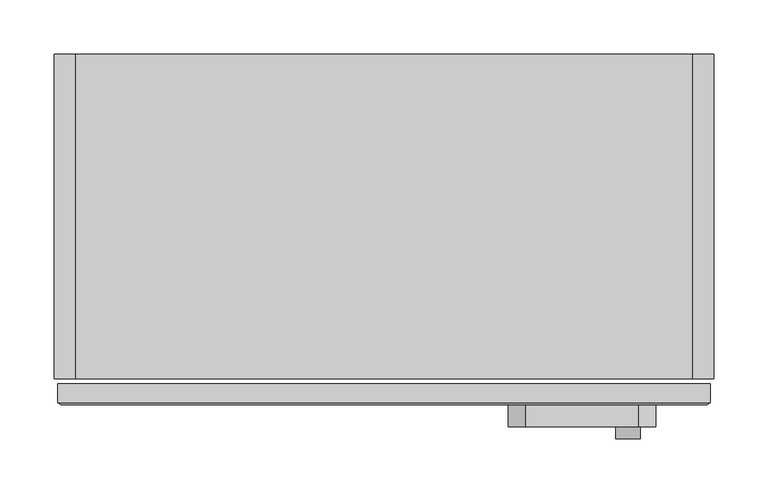
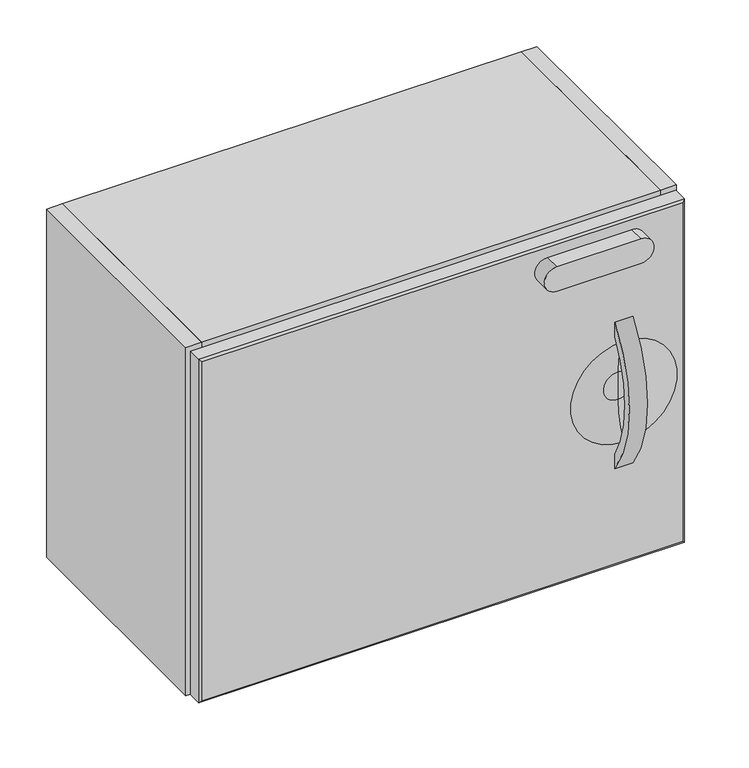
"""IFC4 building model written with IfcOpenShell, lengths in millimetres: furniture geometry."""

from ifc_helpers import new_model, si_unit, point, frame, frame_2d, origin, place, context, project, spatial, polyline, circle_curve, ellipse_curve, trimmed, segment, composite_curve, outline, extrude, source, transform, mapped, element, save
from ifc_brep_helpers import plane_surface, revolved_surface, advanced_brep


def furniture_0f78338d(model_context):
    return source(origin(), model_context, "Body", "SolidModel", [
        extrude(outline(composite_curve([segment(polyline([(-162.2904196, 830.2662798), (-162.2904196, 811.3559696)]), True, "CONTINUOUS"), segment(trimmed(circle_curve(frame_2d((-32.4271698, 734.3812713)), 150.9621404), [point((-162.2904196, 811.3559696))], [point((-161.9885, 656.8994698))], True, "CARTESIAN"), True, "CONTINUOUS"), segment(polyline([(-161.9885, 656.8994698), (-161.9885, 638.0783392)]), True, "CONTINUOUS"), segment(trimmed(circle_curve(frame_2d((-29.1183363, 734.3812804)), 164.0997772), [point((-161.9885, 638.0783392))], [point((-162.2904196, 830.2662798))], False, "CARTESIAN"), True, "CONTINUOUS")], self_intersect=False)), frame((214.3123607, 0.0, 0.0), z_axis=(1.0, 0.0, 0.0), x_axis=(0.0, 1.0, 0.0)), (0.0, 0.0, 1.0), 22.225),
        extrude(outline(composite_curve([segment(polyline([(944.4490146, 235.4199), (944.4490146, 130.6449)]), True, "CONTINUOUS"), segment(trimmed(circle_curve(frame_2d((928.5740146, 130.6449)), 15.875), [point((944.4490146, 130.6449))], [point((912.6990146, 130.6449))], False, "CARTESIAN"), True, "CONTINUOUS"), segment(polyline([(912.6990146, 130.6449), (912.6990146, 235.4199)]), True, "CONTINUOUS"), segment(trimmed(circle_curve(frame_2d((928.5740146, 235.4199)), 15.875), [point((912.6990146, 235.4199))], [point((944.4490146, 235.4199))], False, "CARTESIAN"), True, "CONTINUOUS")], self_intersect=False)), frame((0.0, -182.3085, 0.0), z_axis=(0.0, 1.0, 0.0), x_axis=(0.0, 0.0, 1.0)), (0.0, 0.0, 1.0), 20.32),
        advanced_brep(
        [(301.6248607, -142.4224067, 960.8313541), (301.6248607, -142.4224067, 509.9811966), (-301.6251393, -142.4224067, 509.9811966), (-301.6251393, -142.4224067, 960.8313541), (-301.6251393, -160.1558628, 960.8313541), (301.6248607, -160.1558628, 960.8313541), (-301.6251393, -160.1558628, 509.9811966), (301.6248607, -160.1558628, 509.9811966), (298.4498728, -161.9885, 957.6563571), (-298.4501423, -161.9885, 957.6563571), (-298.4501423, -161.9885, 513.1561966), (298.4498728, -161.9885, 513.1561966), (225.4248607, -161.9885, 669.4361379), (225.4248607, -161.9885, 801.3762554), (225.4248607, -149.2885, 717.2249048), (225.4248607, -149.2885, 753.5874884), (225.4248607, -149.2885, 735.4061966)],
        [
            (0, 1),
            (1, 2),
            (2, 3),
            (3, 0),
            (3, 4),
            (4, 5),
            (5, 0),
            (2, 6),
            (6, 4),
            (1, 7),
            (7, 6),
            (5, 7),
            (8, 9),
            (9, 10),
            (10, 11),
            (11, 8),
            (12, 13, circle_curve(frame((225.4248607, -161.9885, 735.4061966), z_axis=(0.0, 1.0, 0.0), x_axis=(0.0, 0.0, 1.0)), 65.9700587)),
            (13, 12, circle_curve(frame((225.4248607, -161.9885, 735.4061966), z_axis=(0.0, 1.0, 0.0), x_axis=(0.0, 0.0, 1.0)), 65.9700587)),
            (8, 5),
            (4, 9),
            (6, 10),
            (7, 11),
            (12, 14, circle_curve(frame((225.4248607, -245.550557, 717.2249048), z_axis=(1.0, 0.0, 0.0), x_axis=(0.0, 0.0, -1.0)), 96.262057)),
            (14, 15, circle_curve(frame((225.4248607, -149.2885, 735.4061966), z_axis=(0.0, 1.0, 0.0), x_axis=(0.0, 0.0, 1.0)), 18.1812918)),
            (15, 13, circle_curve(frame((225.4248607, -245.550557, 753.5874884), z_axis=(1.0, 0.0, 0.0), x_axis=(0.0, 0.0, 1.0)), 96.262057)),
            (15, 14, circle_curve(frame((225.4248607, -149.2885, 735.4061966), z_axis=(0.0, 1.0, 0.0), x_axis=(0.0, 0.0, 1.0)), 18.1812918)),
            (14, 16),
            (16, 15),
        ],
        [
            plane_surface(frame((301.6248607, -142.4224067, 960.8313541), z_axis=(0.0, 1.0, 0.0), x_axis=(0.0, 0.0, -1.0))),
            plane_surface(frame((-301.6251393, -142.4224067, 960.8313541), z_axis=(0.0, 0.0, 1.0), x_axis=(0.0, -1.0, 0.0))),
            plane_surface(frame((-301.6251393, -142.4224067, 509.9811966), z_axis=(-1.0, 0.0, 0.0), x_axis=(0.0, -1.0, 0.0))),
            plane_surface(frame((301.6248607, -142.4224067, 509.9811966), z_axis=(0.0, 0.0, -1.0), x_axis=(0.0, -1.0, 0.0))),
            plane_surface(frame((301.6248607, -142.4224067, 960.8313541), z_axis=(1.0, 0.0, 0.0), x_axis=(0.0, -1.0, 0.0))),
            plane_surface(frame((-0.0001347, -161.9885, 735.4062768), z_axis=(0.0, -1.0, 0.0), x_axis=(0.0, 0.0, -1.0))),
            plane_surface(frame((-0.0001393, -160.1558628, 960.8313541), z_axis=(0.0, -0.8660783377624317, 0.49990830445058954), x_axis=(-1.0, 0.0, 0.0))),
            plane_surface(frame((-301.6251393, -160.1558628, 735.4062753), z_axis=(-0.49990830442581086, -0.8660783377767342, 0.0), x_axis=(0.0, 0.0, -1.0))),
            plane_surface(frame((-0.0001393, -160.1558628, 509.9811966), z_axis=(0.0, -0.8660785441759979, -0.4999079468442006), x_axis=(1.0, 0.0, 0.0))),
            plane_surface(frame((301.6248607, -160.1558628, 735.4062753), z_axis=(0.4999093772944, -0.8660777185063274, 0.0), x_axis=(0.0, 0.0, 1.0))),
            revolved_surface(trimmed(ellipse_curve(frame((225.4248607, -245.550557, 753.5874884), z_axis=(-1.0, 0.0, 0.0), x_axis=(0.0, 0.0, 1.0)), 96.262057, 96.262057), [point((225.4248607, -161.9885, 801.3762554))], [point((225.4248607, -149.2885, 753.5874884))], True, "CARTESIAN"), (225.4248607, -161.9885, 735.4061966), (0.0, -1.0, 0.0)),
            plane_surface(frame((225.4248607, -149.2885, 735.4061966), z_axis=(0.0, -1.0, 0.0), x_axis=(0.0, 0.0, 1.0))),
        ],
        [
            (0, [[1, 2, 3, 4]]),
            (1, [[-4, 5, 6, 7]]),
            (2, [[-3, 8, 9, -5]]),
            (3, [[-2, 10, 11, -8]]),
            (4, [[-1, -7, 12, -10]]),
            (5, [[13, 14, 15, 16], [17, 18]]),
            (6, [[-13, 19, -6, 20]]),
            (7, [[-14, -20, -9, 21]]),
            (8, [[-15, -21, -11, 22]]),
            (9, [[-16, -22, -12, -19]]),
            (10, [[23, 24, 25, -17]]),
            (10, [[-23, -18, -25, 26]]),
            (11, [[-24, 27, 28]]),
            (11, [[-26, -28, -27]]),
        ],
    ),
        extrude(outline(polyline([(-285.242818, -137.7319227), (-285.242818, 105.8671981), (285.242, 105.8671981), (285.242, -137.7319227), (-285.242818, -137.7319227)])), frame((0.0, 0.0, 608.4062814), z_axis=(0.0, 0.0, 1.0), x_axis=(1.0, 0.0, 0.0)), (0.0, 0.0, 1.0), 19.5572001),
        extrude(outline(polyline([(-304.8, 161.9885), (-285.242818, 161.9885), (-285.242818, -137.7319227), (-304.8, -137.7319227), (-304.8, 161.9885)])), frame((0.0, 0.0, 506.8061966), z_axis=(0.0, 0.0, 1.0), x_axis=(1.0, 0.0, 0.0)), (0.0, 0.0, 1.0), 457.2),
        extrude(outline(polyline([(285.242, 161.9885), (304.8, 161.9885), (304.8, -137.7319227), (285.242, -137.7319227), (285.242, 161.9885)])), frame((0.0, 0.0, 506.8061966), z_axis=(0.0, 0.0, 1.0), x_axis=(1.0, 0.0, 0.0)), (0.0, 0.0, 1.0), 457.2),
        extrude(outline(polyline([(-285.242818, 142.4313021), (-285.242818, 161.9885), (285.242, 161.9885), (285.242, 142.4313021), (-285.242818, 142.4313021)])), frame((0.0, 0.0, 526.3634694), z_axis=(0.0, 0.0, 1.0), x_axis=(1.0, 0.0, 0.0)), (0.0, 0.0, 1.0), 418.0855452),
        extrude(outline(polyline([(-285.242818, -137.7319227), (-285.242818, 161.9885), (285.242, 161.9885), (285.242, -137.7319227), (-285.242818, -137.7319227)])), frame((0.0, 0.0, 944.4490146), z_axis=(0.0, 0.0, 1.0), x_axis=(1.0, 0.0, 0.0)), (0.0, 0.0, 1.0), 19.557182),
        extrude(outline(polyline([(-285.242818, -137.7319227), (-285.242818, 161.9885), (285.242, 161.9885), (285.242, -137.7319227), (-285.242818, -137.7319227)])), frame((0.0, 0.0, 506.8061966), z_axis=(0.0, 0.0, 1.0), x_axis=(1.0, 0.0, 0.0)), (0.0, 0.0, 1.0), 19.5572728),
    ])


if __name__ == "__main__":
    model = new_model("IFC4")
    model_context = context("Model", 3, world=origin())
    ifc_project = project(units=[si_unit("LENGTHUNIT", "METRE", prefix="MILLI")], contexts=[model_context])
    site = spatial("IfcSite", under=ifc_project)
    building = spatial("IfcBuilding", under=site)
    placement = place(None, origin())
    furniture_shape = furniture_0f78338d(model_context)
    element("IfcFurniture", 1, at=placement, inside=building, context=model_context, shape_type="MappedRepresentation", body=[
        mapped(furniture_shape, transform((0.0, 0.0, 0.0), x_axis=(1.0, 0.0, 0.0), y_axis=(0.0, 1.0, 0.0), z_axis=(0.0, 0.0, 1.0))),
    ])
    save(model, "model.ifc")
